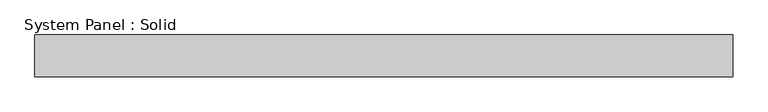
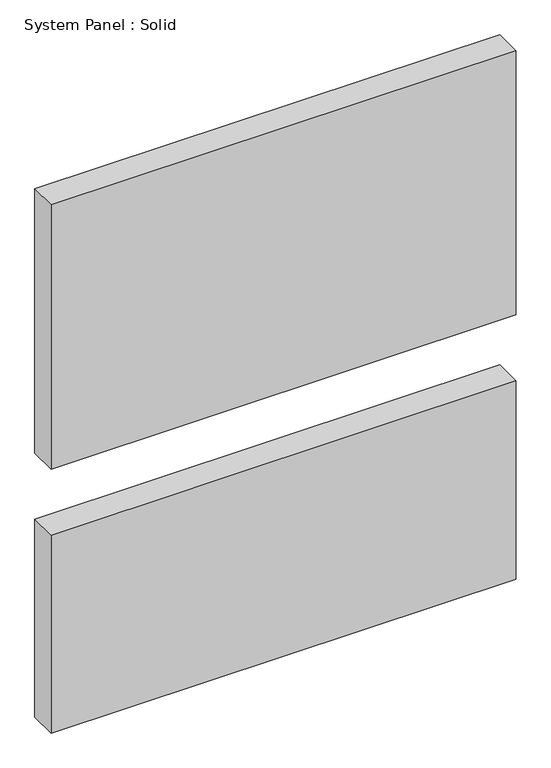
"""IFC4 building model written with IfcOpenShell, lengths in millimetres: plate geometry, System Panel : Solid."""

import ifcopenshell
import ifcopenshell.guid

model = None  # the IFC model being written
_history = None  # IfcOwnerHistory: only IFC2X3 demands one
_inside = {}  # id of a spatial element -> (the spatial element, [elements in it])
_under = {}  # id of a project, library or spatial element -> (it, [spatial elements below it])
_declared = {}  # id of a project -> (the project, [libraries it declares])
_typed = {}  # id of a type object -> (the type object, [elements of that type])
_made_of = {}  # id of a material, layer set ... -> (it, [elements and type objects made of it])


def new_model(schema):
    """Start an empty IFC model of exactly this schema.

    Asked for "IFC4X3", IfcOpenShell would pick the latest addendum, in which some entities
    have other attributes; the version numbers below select the first issue.
    IFC2X3 requires an IfcOwnerHistory on every rooted entity: one is made here for all.
    """
    global model, _history
    if schema == "IFC4X3":
        model = ifcopenshell.file(schema_version=(4, 3, 0, 0))
    else:
        model = ifcopenshell.file(schema=schema)
    _inside.clear()
    _under.clear()
    _declared.clear()
    _typed.clear()
    _made_of.clear()
    _history = None
    if model.schema == "IFC2X3":
        org = make("IfcOrganization", Name="unknown")
        user = make(
            "IfcPersonAndOrganization",
            ThePerson=make("IfcPerson", FamilyName="unknown"),
            TheOrganization=org,
        )
        app = make(
            "IfcApplication",
            ApplicationDeveloper=org,
            Version="unknown",
            ApplicationFullName="unknown",
            ApplicationIdentifier="unknown",
        )
        _history = make(
            "IfcOwnerHistory",
            OwningUser=user,
            OwningApplication=app,
            ChangeAction="ADDED",
            CreationDate=0,
        )
    return model


def make(cls, **values):
    """One entity of the class cls with the attributes given. An attribute that is None is left unset."""
    return model.create_entity(
        cls, **{name: value for name, value in values.items() if value is not None}
    )


def rooted(cls, **values):
    """An entity with a GlobalId (a new one), such as an element, a storey or a relation."""
    return make(cls, GlobalId=ifcopenshell.guid.new(), OwnerHistory=_history, **values)


def si_unit(unit_type, name, prefix=None):
    """IfcSIUnit, for example si_unit("LENGTHUNIT", "METRE", prefix="MILLI")."""
    return make("IfcSIUnit", UnitType=unit_type, Prefix=prefix, Name=name)


def assignment(units):
    """IfcUnitAssignment: the units of a project."""
    return None if units is None else make("IfcUnitAssignment", Units=units)


def point(xyz):
    """IfcCartesianPoint."""
    return None if xyz is None else make("IfcCartesianPoint", Coordinates=xyz)


def direction(xyz):
    """IfcDirection."""
    return None if xyz is None else make("IfcDirection", DirectionRatios=xyz)


def frame(location, z_axis=None, x_axis=None):
    """IfcAxis2Placement3D, a coordinate frame: its origin and axes. An axis left out is left unset."""
    return make(
        "IfcAxis2Placement3D",
        Location=point(location),
        Axis=direction(z_axis),
        RefDirection=direction(x_axis),
    )


def origin():
    """The frame at (0, 0, 0) with its axes left unset."""
    return frame((0.0, 0.0, 0.0))


def origin_with_axes():
    """The frame at (0, 0, 0) with the z axis (0, 0, 1) and the x axis (1, 0, 0) written out."""
    return frame((0.0, 0.0, 0.0), z_axis=(0.0, 0.0, 1.0), x_axis=(1.0, 0.0, 0.0))


def place(relative_to, where):
    """IfcLocalPlacement: puts the frame where relative to a parent placement (None: the world)."""
    return make(
        "IfcLocalPlacement", PlacementRelTo=relative_to, RelativePlacement=where
    )


def context(
    kind, dimensions, precision=None, world=None, true_north=None, identifier=None
):
    """IfcGeometricRepresentationContext, for example the 3D "Model" context."""
    return make(
        "IfcGeometricRepresentationContext",
        ContextIdentifier=identifier,
        ContextType=kind,
        CoordinateSpaceDimension=dimensions,
        Precision=precision,
        WorldCoordinateSystem=world,
        TrueNorth=true_north,
    )


def project(units=None, contexts=None):
    """IfcProject with its units and contexts."""
    return rooted(
        "IfcProject",
        Name="project",
        RepresentationContexts=contexts,
        UnitsInContext=assignment(units),
    )


def spatial(cls, under=None, at=None, **own):
    """A site, building, storey or space (cls), placed at a placement, below another one or the project."""
    s = rooted(cls, ObjectPlacement=at, **own)
    if under is not None:
        _under.setdefault(under.id(), (under, []))[1].append(s)
    return s


def polyline(points):
    """IfcPolyline through the points."""
    return make("IfcPolyline", Points=[point(p) for p in points])


def outline(outer, holes=None, kind="AREA"):
    """IfcArbitraryClosedProfileDef: a profile drawn as a closed curve; with holes, ...WithVoids."""
    if holes is None:
        return make("IfcArbitraryClosedProfileDef", ProfileType=kind, OuterCurve=outer)
    return make(
        "IfcArbitraryProfileDefWithVoids",
        ProfileType=kind,
        OuterCurve=outer,
        InnerCurves=holes,
    )


def extrude(swept, where, along, depth):
    """IfcExtrudedAreaSolid: the profile swept, set in the frame where, extruded along a direction by depth."""
    return make(
        "IfcExtrudedAreaSolid",
        SweptArea=swept,
        Position=where,
        ExtrudedDirection=direction(along),
        Depth=depth,
    )


def shape(context_of_items, identifier, shape_type, items):
    """IfcShapeRepresentation: the items that make up one representation, for example the "Body"."""
    return make(
        "IfcShapeRepresentation",
        ContextOfItems=context_of_items,
        RepresentationIdentifier=identifier,
        RepresentationType=shape_type,
        Items=items,
    )


def source(mapping_origin, context_of_items, identifier, shape_type, items):
    """IfcRepresentationMap: a shape defined once, which mapped items show again and again."""
    return make(
        "IfcRepresentationMap",
        MappingOrigin=mapping_origin,
        MappedRepresentation=shape(context_of_items, identifier, shape_type, items),
    )


def transform(
    local_origin,
    x_axis=None,
    y_axis=None,
    z_axis=None,
    scale=None,
    scale2=None,
    scale3=None,
    uniform=True,
):
    """IfcCartesianTransformationOperator3D, or its non-uniform kind. x_axis, y_axis, z_axis: its Axis1, 2, 3."""
    if uniform:
        return make(
            "IfcCartesianTransformationOperator3D",
            Axis1=direction(x_axis),
            Axis2=direction(y_axis),
            LocalOrigin=point(local_origin),
            Scale=scale,
            Axis3=direction(z_axis),
        )
    return make(
        "IfcCartesianTransformationOperator3DnonUniform",
        Axis1=direction(x_axis),
        Axis2=direction(y_axis),
        LocalOrigin=point(local_origin),
        Scale=scale,
        Axis3=direction(z_axis),
        Scale2=scale2,
        Scale3=scale3,
    )


def mapped(mapping_source, mapping_target):
    """IfcMappedItem: shows the shape of a source again, moved by a transform."""
    return make(
        "IfcMappedItem", MappingSource=mapping_source, MappingTarget=mapping_target
    )


def made_of(thing, what):
    """Note that an element or type object is made of a material, layer set ...; save() writes the relation."""
    if what is not None:
        _made_of.setdefault(what.id(), (what, []))[1].append(thing)
    return thing


def element(
    cls,
    number,
    at=None,
    inside=None,
    cuts=None,
    type_object=None,
    material=None,
    context=None,
    identifier="Body",
    shape_type=None,
    held_by="IfcProductDefinitionShape",
    body=None,
    shapes=None,
    **own,
):
    """One element of the class cls, such as IfcWall. Its Tag is "e" and its number.

    at: its placement. inside: the storey or other place that contains it. cuts: it is an
    opening in that element (IfcRelVoidsElement). A single representation is given by context,
    identifier, shape_type and body (its items); several are given by shapes. held_by: the class
    of the entity that holds the representations. save() writes the other relations.
    """
    e = rooted(cls, Tag="e%d" % number, ObjectPlacement=at, **own)
    if body is not None:
        shapes = [shape(context, identifier, shape_type, body)]
    if shapes is not None:
        e.Representation = make(held_by, Representations=shapes)
    if inside is not None:
        _inside.setdefault(inside.id(), (inside, []))[1].append(e)
    if cuts is not None:
        rooted(
            "IfcRelVoidsElement", RelatingBuildingElement=cuts, RelatedOpeningElement=e
        )
    if type_object is not None:
        _typed.setdefault(type_object.id(), (type_object, []))[1].append(e)
    return made_of(e, material)


def aggregate(whole, parts):
    """IfcRelAggregates: a whole, such as a stair, and the parts it consists of."""
    return rooted("IfcRelAggregates", RelatingObject=whole, RelatedObjects=parts)


def save(model, path):
    """Write the relations noted so far, then the file.

    IfcRelAggregates (storeys below a building ...), IfcRelContainedInSpatialStructure (elements
    in a storey), IfcRelDefinesByType, IfcRelAssociatesMaterial and IfcRelDeclares: one each for
    every whole, place, type object, material and project.
    """
    for whole, parts in _under.values():
        aggregate(whole, parts)
    for where, things in _inside.values():
        rooted(
            "IfcRelContainedInSpatialStructure",
            RelatedElements=things,
            RelatingStructure=where,
        )
    for kind, things in _typed.values():
        rooted("IfcRelDefinesByType", RelatedObjects=things, RelatingType=kind)
    for what, things in _made_of.values():
        rooted("IfcRelAssociatesMaterial", RelatedObjects=things, RelatingMaterial=what)
    for by, libraries in _declared.values():
        rooted("IfcRelDeclares", RelatingContext=by, RelatedDefinitions=libraries)
    model.write(path)


def system_panel_solid_64d93a89(model_context):
    return source(origin(), model_context, "Body", "SweptSolid", [
        extrude(outline(polyline([(500.0, -10.5), (-500.0, -10.5), (-500.0, 49.5), (500.0, 49.5), (500.0, -10.5)])), frame((0.0, 0.0, 600.0), z_axis=(0.0, 0.0, 1.0), x_axis=(1.0, 0.0, 0.0)), (0.0, 0.0, 1.0), 600.0),
        extrude(outline(polyline([(500.0, -10.5), (-500.0, -10.5), (-500.0, 49.5), (500.0, 49.5), (500.0, -10.5)])), origin_with_axes(), (0.0, 0.0, 1.0), 450.0),
    ])


if __name__ == "__main__":
    model = new_model("IFC4")
    model_context = context("Model", 3, world=origin())
    ifc_project = project(units=[si_unit("LENGTHUNIT", "METRE", prefix="MILLI")], contexts=[model_context])
    site = spatial("IfcSite", under=ifc_project)
    building = spatial("IfcBuilding", under=site)
    placement = place(None, origin())
    system_panel_solid_shape = system_panel_solid_64d93a89(model_context)
    element("IfcPlate", 1, ObjectType="System Panel : Solid", at=placement, inside=building, context=model_context, shape_type="MappedRepresentation", body=[
        mapped(system_panel_solid_shape, transform((0.0, 0.0, 0.0), x_axis=(1.0, 0.0, 0.0), y_axis=(0.0, 1.0, 0.0), z_axis=(0.0, 0.0, 1.0))),
    ])
    save(model, "model.ifc")
